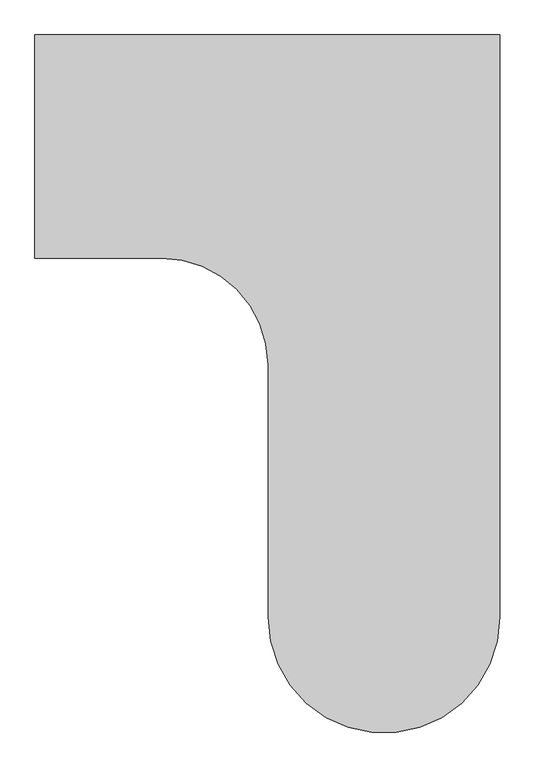
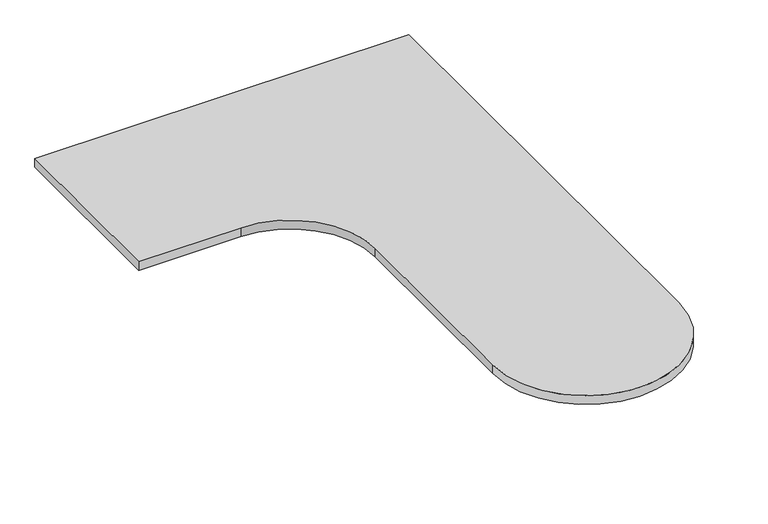
"""IFC4 building model written with IfcOpenShell, lengths in millimetres: furniture geometry."""

from ifc_helpers import new_model, si_unit, point, frame, frame_2d, origin, place, context, project, spatial, polyline, circle_curve, trimmed, segment, composite_curve, outline, extrude, source, transform, mapped, element, save


def furniture_695919b5(model_context):
    return source(origin(), model_context, "Body", "SweptSolid", [
        extrude(outline(composite_curve([segment(polyline([(158.8134998, 905.4210992), (158.8134998, -617.0549008)]), True, "CONTINUOUS"), segment(trimmed(circle_curve(frame_2d((-144.4625002, -617.0549008)), 303.276), [point((158.8134998, -617.0549008))], [point((-447.7385002, -617.0549008))], False, "CARTESIAN"), True, "CONTINUOUS"), segment(polyline([(-447.7385002, -617.0549008), (-447.7385002, 43.3450857)]), True, "CONTINUOUS"), segment(trimmed(circle_curve(frame_2d((-725.6145138, 43.3450857)), 277.8760136), [point((-447.7385002, 43.3450857))], [point((-725.6145138, 321.2210992))], True, "CARTESIAN"), True, "CONTINUOUS"), segment(polyline([(-725.6145138, 321.2210992), (-1057.3385002, 321.2210992), (-1057.3385002, 905.4210992), (158.8134998, 905.4210992)]), True, "CONTINUOUS")], self_intersect=False)), frame((0.0, 0.0, 706.7296), z_axis=(0.0, 0.0, 1.0), x_axis=(1.0, 0.0, 0.0)), (0.0, 0.0, 1.0), 29.8704),
    ])


if __name__ == "__main__":
    model = new_model("IFC4")
    model_context = context("Model", 3, world=origin())
    ifc_project = project(units=[si_unit("LENGTHUNIT", "METRE", prefix="MILLI")], contexts=[model_context])
    site = spatial("IfcSite", under=ifc_project)
    building = spatial("IfcBuilding", under=site)
    placement = place(None, origin())
    furniture_shape = furniture_695919b5(model_context)
    element("IfcFurniture", 1, at=placement, inside=building, context=model_context, shape_type="MappedRepresentation", body=[
        mapped(furniture_shape, transform((0.0, 0.0, 0.0), x_axis=(1.0, 0.0, 0.0), y_axis=(0.0, 1.0, 0.0), z_axis=(0.0, 0.0, 1.0))),
    ])
    save(model, "model.ifc")
